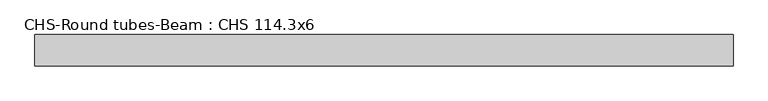
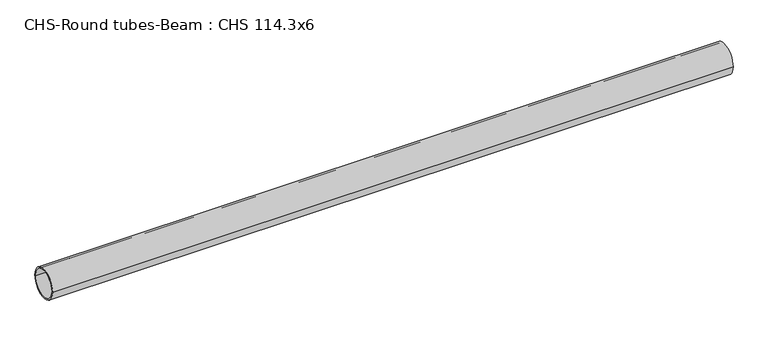
"""IFC4 building model written with IfcOpenShell, lengths in millimetres: beam geometry, CHS-Round tubes-Beam : CHS 114.3x6."""

from ifc_helpers import new_model, si_unit, point, frame, origin, origin_2d, place, context, project, spatial, circle_curve, trimmed, segment, composite_curve, outline, extrude, source, transform, mapped, element, save


def chs_round_tubes_beam_chs_114_3x6_520e10b6(model_context):
    return source(origin(), model_context, "Body", "SweptSolid", [
        extrude(outline(composite_curve([segment(trimmed(circle_curve(origin_2d(), 57.15), [point((57.15, 0.0))], [point((-57.15, 0.0))], False, "CARTESIAN"), True, "CONTINUOUS"), segment(trimmed(circle_curve(origin_2d(), 57.15), [point((-57.15, 0.0))], [point((57.15, 0.0))], False, "CARTESIAN"), True, "CONTINUOUS")], self_intersect=False), holes=[composite_curve([segment(trimmed(circle_curve(origin_2d(), 51.15), [point((51.15, 0.0))], [point((-51.15, 0.0))], True, "CARTESIAN"), True, "CONTINUOUS"), segment(trimmed(circle_curve(origin_2d(), 51.15), [point((-51.15, 0.0))], [point((51.15, 0.0))], True, "CARTESIAN"), True, "CONTINUOUS")], self_intersect=False)]), frame((-1244.279341, 0.0, 0.0), z_axis=(1.0, 0.0, 0.0), x_axis=(0.0, 1.0, 0.0)), (0.0, 0.0, 1.0), 2548.4398178),
    ])


if __name__ == "__main__":
    model = new_model("IFC4")
    model_context = context("Model", 3, world=origin())
    ifc_project = project(units=[si_unit("LENGTHUNIT", "METRE", prefix="MILLI")], contexts=[model_context])
    site = spatial("IfcSite", under=ifc_project)
    building = spatial("IfcBuilding", under=site)
    placement = place(None, origin())
    chs_round_tubes_beam_chs_114_3x6_shape = chs_round_tubes_beam_chs_114_3x6_520e10b6(model_context)
    element("IfcBeam", 1, ObjectType="CHS-Round tubes-Beam : CHS 114.3x6", at=placement, inside=building, context=model_context, shape_type="MappedRepresentation", body=[
        mapped(chs_round_tubes_beam_chs_114_3x6_shape, transform((0.0, 0.0, 0.0), x_axis=(1.0, 0.0, 0.0), y_axis=(0.0, 1.0, 0.0), z_axis=(0.0, 0.0, 1.0))),
    ])
    save(model, "model.ifc")
